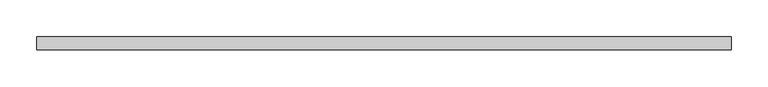
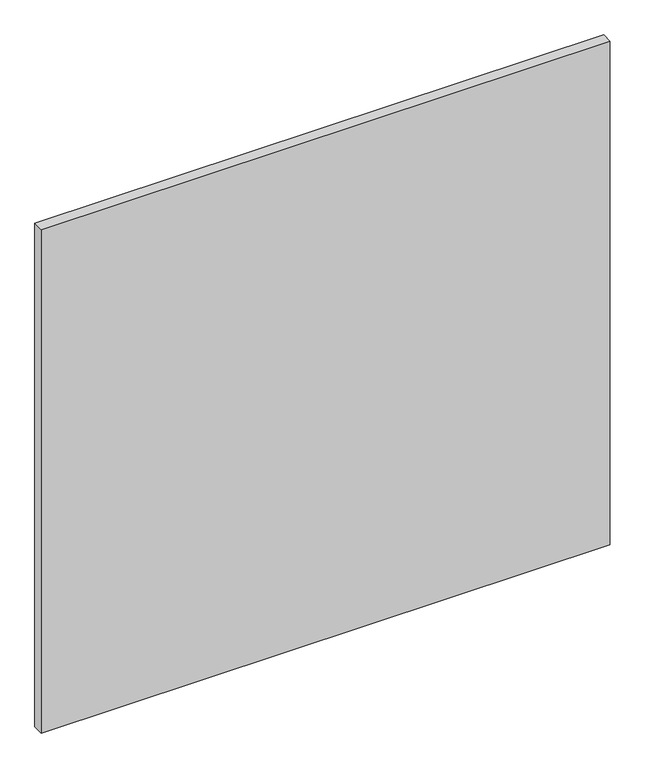
"""IFC4 building model written with IfcOpenShell, lengths in millimetres: plate geometry."""

from ifc_helpers import new_model, si_unit, origin, origin_with_axes, place, context, project, spatial, polyline, outline, extrude, source, transform, mapped, element, save


def plate_46ccc5cd(model_context):
    return source(origin(), model_context, "Body", "SweptSolid", [
        extrude(outline(polyline([(470.0000001, 8.75), (470.0000001, -8.75), (-470.0000001, -8.75), (-470.0000001, 8.75), (470.0000001, 8.75)])), origin_with_axes(), (0.0, 0.0, 1.0), 879.0),
    ])


if __name__ == "__main__":
    model = new_model("IFC4")
    model_context = context("Model", 3, world=origin())
    ifc_project = project(units=[si_unit("LENGTHUNIT", "METRE", prefix="MILLI")], contexts=[model_context])
    site = spatial("IfcSite", under=ifc_project)
    building = spatial("IfcBuilding", under=site)
    placement = place(None, origin())
    plate_shape = plate_46ccc5cd(model_context)
    element("IfcPlate", 1, at=placement, inside=building, context=model_context, shape_type="MappedRepresentation", body=[
        mapped(plate_shape, transform((0.0, 0.0, 0.0), x_axis=(1.0, 0.0, 0.0), y_axis=(0.0, 1.0, 0.0), z_axis=(0.0, 0.0, 1.0))),
    ])
    save(model, "model.ifc")
